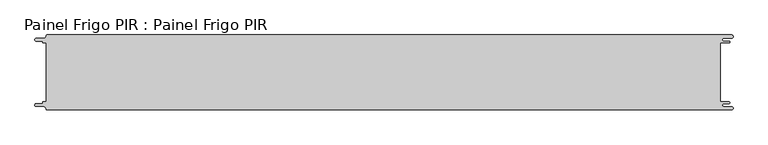
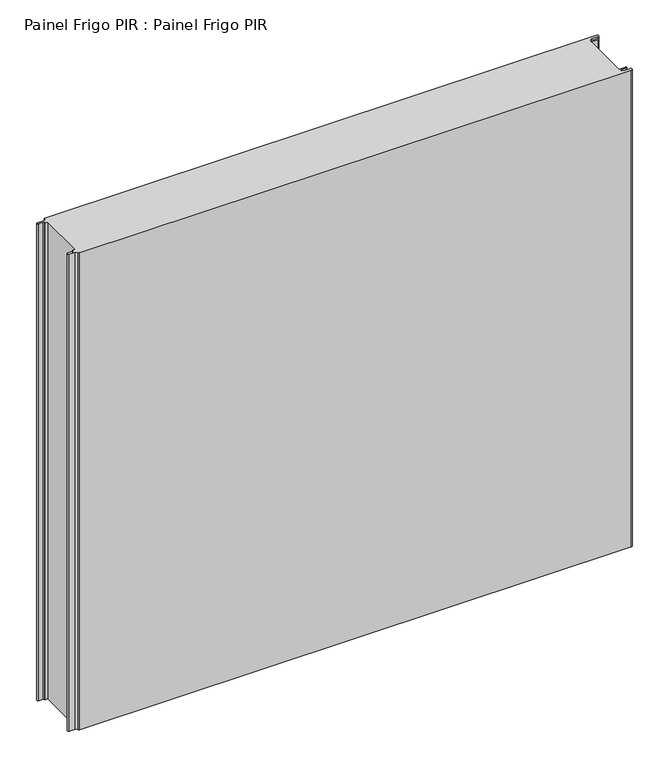
"""IFC4 building model written with IfcOpenShell, lengths in millimetres: proxy geometry, Painel Frigo PIR : Painel Frigo PIR."""

import ifcopenshell
import ifcopenshell.guid

model = None  # the IFC model being written
_history = None  # IfcOwnerHistory: only IFC2X3 demands one
_inside = {}  # id of a spatial element -> (the spatial element, [elements in it])
_under = {}  # id of a project, library or spatial element -> (it, [spatial elements below it])
_declared = {}  # id of a project -> (the project, [libraries it declares])
_typed = {}  # id of a type object -> (the type object, [elements of that type])
_made_of = {}  # id of a material, layer set ... -> (it, [elements and type objects made of it])


def new_model(schema):
    """Start an empty IFC model of exactly this schema.

    Asked for "IFC4X3", IfcOpenShell would pick the latest addendum, in which some entities
    have other attributes; the version numbers below select the first issue.
    IFC2X3 requires an IfcOwnerHistory on every rooted entity: one is made here for all.
    """
    global model, _history
    if schema == "IFC4X3":
        model = ifcopenshell.file(schema_version=(4, 3, 0, 0))
    else:
        model = ifcopenshell.file(schema=schema)
    _inside.clear()
    _under.clear()
    _declared.clear()
    _typed.clear()
    _made_of.clear()
    _history = None
    if model.schema == "IFC2X3":
        org = make("IfcOrganization", Name="unknown")
        user = make(
            "IfcPersonAndOrganization",
            ThePerson=make("IfcPerson", FamilyName="unknown"),
            TheOrganization=org,
        )
        app = make(
            "IfcApplication",
            ApplicationDeveloper=org,
            Version="unknown",
            ApplicationFullName="unknown",
            ApplicationIdentifier="unknown",
        )
        _history = make(
            "IfcOwnerHistory",
            OwningUser=user,
            OwningApplication=app,
            ChangeAction="ADDED",
            CreationDate=0,
        )
    return model


def make(cls, **values):
    """One entity of the class cls with the attributes given. An attribute that is None is left unset."""
    return model.create_entity(
        cls, **{name: value for name, value in values.items() if value is not None}
    )


def rooted(cls, **values):
    """An entity with a GlobalId (a new one), such as an element, a storey or a relation."""
    return make(cls, GlobalId=ifcopenshell.guid.new(), OwnerHistory=_history, **values)


def si_unit(unit_type, name, prefix=None):
    """IfcSIUnit, for example si_unit("LENGTHUNIT", "METRE", prefix="MILLI")."""
    return make("IfcSIUnit", UnitType=unit_type, Prefix=prefix, Name=name)


def assignment(units):
    """IfcUnitAssignment: the units of a project."""
    return None if units is None else make("IfcUnitAssignment", Units=units)


def point(xyz):
    """IfcCartesianPoint."""
    return None if xyz is None else make("IfcCartesianPoint", Coordinates=xyz)


def direction(xyz):
    """IfcDirection."""
    return None if xyz is None else make("IfcDirection", DirectionRatios=xyz)


def frame(location, z_axis=None, x_axis=None):
    """IfcAxis2Placement3D, a coordinate frame: its origin and axes. An axis left out is left unset."""
    return make(
        "IfcAxis2Placement3D",
        Location=point(location),
        Axis=direction(z_axis),
        RefDirection=direction(x_axis),
    )


def origin():
    """The frame at (0, 0, 0) with its axes left unset."""
    return frame((0.0, 0.0, 0.0))


def place(relative_to, where):
    """IfcLocalPlacement: puts the frame where relative to a parent placement (None: the world)."""
    return make(
        "IfcLocalPlacement", PlacementRelTo=relative_to, RelativePlacement=where
    )


def context(
    kind, dimensions, precision=None, world=None, true_north=None, identifier=None
):
    """IfcGeometricRepresentationContext, for example the 3D "Model" context."""
    return make(
        "IfcGeometricRepresentationContext",
        ContextIdentifier=identifier,
        ContextType=kind,
        CoordinateSpaceDimension=dimensions,
        Precision=precision,
        WorldCoordinateSystem=world,
        TrueNorth=true_north,
    )


def project(units=None, contexts=None):
    """IfcProject with its units and contexts."""
    return rooted(
        "IfcProject",
        Name="project",
        RepresentationContexts=contexts,
        UnitsInContext=assignment(units),
    )


def spatial(cls, under=None, at=None, **own):
    """A site, building, storey or space (cls), placed at a placement, below another one or the project."""
    s = rooted(cls, ObjectPlacement=at, **own)
    if under is not None:
        _under.setdefault(under.id(), (under, []))[1].append(s)
    return s


def polyline(points):
    """IfcPolyline through the points."""
    return make("IfcPolyline", Points=[point(p) for p in points])


def circle_curve(where, radius):
    """IfcCircle in the frame where."""
    return make("IfcCircle", Position=where, Radius=radius)


def shape(context_of_items, identifier, shape_type, items):
    """IfcShapeRepresentation: the items that make up one representation, for example the "Body"."""
    return make(
        "IfcShapeRepresentation",
        ContextOfItems=context_of_items,
        RepresentationIdentifier=identifier,
        RepresentationType=shape_type,
        Items=items,
    )


def source(mapping_origin, context_of_items, identifier, shape_type, items):
    """IfcRepresentationMap: a shape defined once, which mapped items show again and again."""
    return make(
        "IfcRepresentationMap",
        MappingOrigin=mapping_origin,
        MappedRepresentation=shape(context_of_items, identifier, shape_type, items),
    )


def transform(
    local_origin,
    x_axis=None,
    y_axis=None,
    z_axis=None,
    scale=None,
    scale2=None,
    scale3=None,
    uniform=True,
):
    """IfcCartesianTransformationOperator3D, or its non-uniform kind. x_axis, y_axis, z_axis: its Axis1, 2, 3."""
    if uniform:
        return make(
            "IfcCartesianTransformationOperator3D",
            Axis1=direction(x_axis),
            Axis2=direction(y_axis),
            LocalOrigin=point(local_origin),
            Scale=scale,
            Axis3=direction(z_axis),
        )
    return make(
        "IfcCartesianTransformationOperator3DnonUniform",
        Axis1=direction(x_axis),
        Axis2=direction(y_axis),
        LocalOrigin=point(local_origin),
        Scale=scale,
        Axis3=direction(z_axis),
        Scale2=scale2,
        Scale3=scale3,
    )


def mapped(mapping_source, mapping_target):
    """IfcMappedItem: shows the shape of a source again, moved by a transform."""
    return make(
        "IfcMappedItem", MappingSource=mapping_source, MappingTarget=mapping_target
    )


def made_of(thing, what):
    """Note that an element or type object is made of a material, layer set ...; save() writes the relation."""
    if what is not None:
        _made_of.setdefault(what.id(), (what, []))[1].append(thing)
    return thing


def element(
    cls,
    number,
    at=None,
    inside=None,
    cuts=None,
    type_object=None,
    material=None,
    context=None,
    identifier="Body",
    shape_type=None,
    held_by="IfcProductDefinitionShape",
    body=None,
    shapes=None,
    **own,
):
    """One element of the class cls, such as IfcWall. Its Tag is "e" and its number.

    at: its placement. inside: the storey or other place that contains it. cuts: it is an
    opening in that element (IfcRelVoidsElement). A single representation is given by context,
    identifier, shape_type and body (its items); several are given by shapes. held_by: the class
    of the entity that holds the representations. save() writes the other relations.
    """
    e = rooted(cls, Tag="e%d" % number, ObjectPlacement=at, **own)
    if body is not None:
        shapes = [shape(context, identifier, shape_type, body)]
    if shapes is not None:
        e.Representation = make(held_by, Representations=shapes)
    if inside is not None:
        _inside.setdefault(inside.id(), (inside, []))[1].append(e)
    if cuts is not None:
        rooted(
            "IfcRelVoidsElement", RelatingBuildingElement=cuts, RelatedOpeningElement=e
        )
    if type_object is not None:
        _typed.setdefault(type_object.id(), (type_object, []))[1].append(e)
    return made_of(e, material)


def aggregate(whole, parts):
    """IfcRelAggregates: a whole, such as a stair, and the parts it consists of."""
    return rooted("IfcRelAggregates", RelatingObject=whole, RelatedObjects=parts)


def save(model, path):
    """Write the relations noted so far, then the file.

    IfcRelAggregates (storeys below a building ...), IfcRelContainedInSpatialStructure (elements
    in a storey), IfcRelDefinesByType, IfcRelAssociatesMaterial and IfcRelDeclares: one each for
    every whole, place, type object, material and project.
    """
    for whole, parts in _under.values():
        aggregate(whole, parts)
    for where, things in _inside.values():
        rooted(
            "IfcRelContainedInSpatialStructure",
            RelatedElements=things,
            RelatingStructure=where,
        )
    for kind, things in _typed.values():
        rooted("IfcRelDefinesByType", RelatedObjects=things, RelatingType=kind)
    for what, things in _made_of.values():
        rooted("IfcRelAssociatesMaterial", RelatedObjects=things, RelatingMaterial=what)
    for by, libraries in _declared.values():
        rooted("IfcRelDeclares", RelatingContext=by, RelatedDefinitions=libraries)
    model.write(path)


def plane_surface(at):
    """IfcPlane: the flat surface through the origin of the frame at, square to its z axis."""
    return make("IfcPlane", Position=at)


def cylinder_surface(at, radius):
    """IfcCylindricalSurface: all points at the distance radius from the z axis of the frame at."""
    return make("IfcCylindricalSurface", Position=at, Radius=radius)


def revolved_surface(curve, axis_point, axis_direction):
    """IfcSurfaceOfRevolution: the curve turned about the line through axis_point along axis_direction."""
    return make(
        "IfcSurfaceOfRevolution",
        SweptCurve=make("IfcArbitraryOpenProfileDef", ProfileType="CURVE", Curve=curve),
        AxisPosition=make("IfcAxis1Placement", Location=point(axis_point), Axis=direction(axis_direction)),
    )


def advanced_brep(points, edges, surfaces, faces):
    """IfcAdvancedBrep: a solid bounded by faces that lie on surfaces and meet in shared edges.

    An edge is (start, end): straight between two places in points (the first is 0);
    or (start, end, curve); or (start, end, curve, False) where it runs against its curve.
    A face is (place in surfaces, loops), or (place, loops, False) where it looks against
    its surface's normal. A loop lists edges by number (the first is 1), with a minus sign
    where the edge is run from its end to its start. The first loop is the outer one.
    """
    corners = [point(p) for p in points]
    vertices = [make("IfcVertexPoint", VertexGeometry=c) for c in corners]
    made = []
    for start, end, *more in edges:
        made.append(
            make(
                "IfcEdgeCurve",
                EdgeStart=vertices[start],
                EdgeEnd=vertices[end],
                EdgeGeometry=more[0] if more else make("IfcPolyline", Points=[corners[start], corners[end]]),
                SameSense=more[1] if len(more) > 1 else True,
            )
        )
    hull = []
    for where, loops, *sense in faces:
        bounds = []
        for j, loop in enumerate(loops):
            ring = [make("IfcOrientedEdge", EdgeElement=made[abs(k) - 1], Orientation=k > 0) for k in loop]
            bounds.append(
                make(
                    "IfcFaceOuterBound" if j == 0 else "IfcFaceBound",
                    Bound=make("IfcEdgeLoop", EdgeList=ring),
                    Orientation=True,
                )
            )
        hull.append(make("IfcAdvancedFace", Bounds=bounds, FaceSurface=surfaces[where], SameSense=sense[0] if sense else True))
    return make("IfcAdvancedBrep", Outer=make("IfcClosedShell", CfsFaces=hull))


def painel_frigo_pir_painel_frigo_pir_d9d61c21(model_context):
    return source(origin(), model_context, "Body", "AdvancedBrep", [
        advanced_brep(
        [(-554.5874998, -47.3, 1000.0), (-555.1874998, -47.9, 1000.0), (-555.1874998, -48.7085184, 1000.0), (-556.5875001, -50.1085187, 1000.0), (-565.565625, -50.1085187, 1000.0), (-565.565625, -54.5085185, 1000.0), (-553.55, -54.5085185, 1000.0), (-550.0, -58.0585185, 1000.0), (-548.05, -60.0, 1000.0), (546.89375, -60.0, 1000.0), (546.89375, -54.725, 1000.0), (534.45625, -54.725, 1000.0), (534.45625, -49.875, 1000.0), (543.1187503, -49.875, 1000.0), (543.1187503, -47.3, 1000.0), (529.2687503, -47.3, 1000.0), (529.2687503, 47.3, 1000.0), (543.1187503, 47.3, 1000.0), (543.1187503, 49.875, 1000.0), (534.45625, 49.875, 1000.0), (534.45625, 54.725, 1000.0), (546.89375, 54.725, 1000.0), (546.89375, 60.0, 1000.0), (-548.05, 60.0, 1000.0), (-550.0, 58.05, 1000.0), (-553.55, 54.5085185, 1000.0), (-565.565625, 54.5085185, 1000.0), (-565.565625, 50.1085185, 1000.0), (-556.5875003, 50.1085185, 1000.0), (-555.1875003, 48.7085185, 1000.0), (-555.1875003, 47.9, 1000.0), (-554.5874998, 47.2999995, 1000.0), (-549.2999612, 47.2999995, 1000.0), (-549.2999612, -47.3, 1000.0), (-554.5874998, -47.3, 0.0), (-549.2999612, -47.3, 0.0), (-549.2999612, 47.2999995, 0.0), (-554.5874998, 47.2999995, 0.0), (-555.1875003, 47.9, 0.0), (-555.1875003, 48.7085185, 0.0), (-556.5875003, 50.1085185, 0.0), (-565.565625, 50.1085185, 0.0), (-565.565625, 54.5085185, 0.0), (-553.55, 54.5085185, 0.0), (-550.0, 58.0585185, 0.0), (-548.05, 60.0, 0.0), (546.89375, 60.0, 0.0), (546.89375, 54.725, 0.0), (534.45625, 54.725, 0.0), (534.45625, 49.875, 0.0), (543.1187503, 49.875, 0.0), (543.1187503, 47.3, 0.0), (529.2687503, 47.3, 0.0), (529.2687503, -47.3, 0.0), (543.1187503, -47.3, 0.0), (543.1187503, -49.875, 0.0), (534.45625, -49.875, 0.0), (534.45625, -54.725, 0.0), (546.89375, -54.725, 0.0), (546.89375, -60.0, 0.0), (-548.05, -60.0, 0.0), (-550.0, -58.05, 0.0), (-553.55, -54.5085185, 0.0), (-565.565625, -54.5085185, 0.0), (-565.565625, -50.1085187, 0.0), (-556.5875001, -50.1085187, 0.0), (-555.1874998, -48.7085184, 0.0), (-555.1874998, -47.9, 0.0)],
        [
            (0, 1, circle_curve(frame((-554.5874998, -47.9, 1000.0), z_axis=(0.0, 0.0, 1.0), x_axis=(1.0, 0.0, 0.0)), 0.6)),
            (1, 2),
            (2, 3, circle_curve(frame((-556.5875001, -48.7085184, 1000.0), z_axis=(0.0, 0.0, -1.0), x_axis=(1.0, 0.0, 0.0)), 1.4000003)),
            (3, 4),
            (4, 5, circle_curve(frame((-565.565625, -52.3085186, 1000.0), z_axis=(0.0, 0.0, 1.0), x_axis=(1.0, 0.0, 0.0)), 2.1999999)),
            (5, 6),
            (6, 7, circle_curve(frame((-553.55, -58.0585185, 1000.0), z_axis=(0.0, 0.0, -1.0), x_axis=(1.0, 0.0, 0.0)), 3.55)),
            (7, 8, circle_curve(frame((-548.05, -58.05, 1000.0), z_axis=(0.0, 0.0, 1.0), x_axis=(1.0, 0.0, 0.0)), 1.95)),
            (8, 9),
            (9, 10, circle_curve(frame((546.89375, -57.3625, 1000.0), z_axis=(0.0, 0.0, 1.0), x_axis=(1.0, 0.0, 0.0)), 2.6375)),
            (10, 11),
            (11, 12, circle_curve(frame((534.45625, -52.3, 1000.0), z_axis=(0.0, 0.0, -1.0), x_axis=(1.0, 0.0, 0.0)), 2.425)),
            (12, 13),
            (13, 14, circle_curve(frame((543.1187503, -48.5875, 1000.0), z_axis=(0.0, 0.0, 1.0), x_axis=(1.0, 0.0, 0.0)), 1.2875)),
            (14, 15),
            (15, 16),
            (16, 17),
            (17, 18, circle_curve(frame((543.1187503, 48.5875, 1000.0), z_axis=(0.0, 0.0, 1.0), x_axis=(1.0, 0.0, 0.0)), 1.2875)),
            (18, 19),
            (19, 20, circle_curve(frame((534.45625, 52.3, 1000.0), z_axis=(0.0, 0.0, -1.0), x_axis=(1.0, 0.0, 0.0)), 2.425)),
            (20, 21),
            (21, 22, circle_curve(frame((546.89375, 57.3625, 1000.0), z_axis=(0.0, 0.0, 1.0), x_axis=(1.0, 0.0, 0.0)), 2.6375)),
            (22, 23),
            (23, 24, circle_curve(frame((-548.05, 58.05, 1000.0), z_axis=(0.0, 0.0, 1.0), x_axis=(1.0, 0.0, 0.0)), 1.95)),
            (24, 25, circle_curve(frame((-553.55, 58.0585185, 1000.0), z_axis=(0.0, 0.0, -1.0), x_axis=(1.0, 0.0, 0.0)), 3.55)),
            (25, 26),
            (26, 27, circle_curve(frame((-565.565625, 52.3085185, 1000.0), z_axis=(0.0, 0.0, 1.0), x_axis=(1.0, 0.0, 0.0)), 2.2)),
            (27, 28),
            (28, 29, circle_curve(frame((-556.5875003, 48.7085185, 1000.0), z_axis=(0.0, 0.0, -1.0), x_axis=(1.0, 0.0, 0.0)), 1.4)),
            (29, 30),
            (30, 31, circle_curve(frame((-554.5874998, 47.9, 1000.0), z_axis=(0.0, 0.0, 1.0), x_axis=(1.0, 0.0, 0.0)), 0.6000005)),
            (31, 32),
            (32, 33),
            (33, 0),
            (34, 35),
            (35, 36),
            (36, 37),
            (37, 38, circle_curve(frame((-554.5874998, 47.9, 0.0), z_axis=(0.0, 0.0, -1.0), x_axis=(1.0, 0.0, 0.0)), 0.6000005)),
            (38, 39),
            (39, 40, circle_curve(frame((-556.5875003, 48.7085185, 0.0), z_axis=(0.0, 0.0, 1.0), x_axis=(1.0, 0.0, 0.0)), 1.4)),
            (40, 41),
            (41, 42, circle_curve(frame((-565.565625, 52.3085185, 0.0), z_axis=(0.0, 0.0, -1.0), x_axis=(1.0, 0.0, 0.0)), 2.2)),
            (42, 43),
            (43, 44, circle_curve(frame((-553.55, 58.0585185, 0.0), z_axis=(0.0, 0.0, 1.0), x_axis=(1.0, 0.0, 0.0)), 3.55)),
            (44, 45, circle_curve(frame((-548.05, 58.05, 0.0), z_axis=(0.0, 0.0, -1.0), x_axis=(1.0, 0.0, 0.0)), 1.95)),
            (45, 46),
            (46, 47, circle_curve(frame((546.89375, 57.3625, 0.0), z_axis=(0.0, 0.0, -1.0), x_axis=(1.0, 0.0, 0.0)), 2.6375)),
            (47, 48),
            (48, 49, circle_curve(frame((534.45625, 52.3, 0.0), z_axis=(0.0, 0.0, 1.0), x_axis=(1.0, 0.0, 0.0)), 2.425)),
            (49, 50),
            (50, 51, circle_curve(frame((543.1187503, 48.5875, 0.0), z_axis=(0.0, 0.0, -1.0), x_axis=(1.0, 0.0, 0.0)), 1.2875)),
            (51, 52),
            (52, 53),
            (53, 54),
            (54, 55, circle_curve(frame((543.1187503, -48.5875, 0.0), z_axis=(0.0, 0.0, -1.0), x_axis=(1.0, 0.0, 0.0)), 1.2875)),
            (55, 56),
            (56, 57, circle_curve(frame((534.45625, -52.3, 0.0), z_axis=(0.0, 0.0, 1.0), x_axis=(1.0, 0.0, 0.0)), 2.425)),
            (57, 58),
            (58, 59, circle_curve(frame((546.89375, -57.3625, 0.0), z_axis=(0.0, 0.0, -1.0), x_axis=(1.0, 0.0, 0.0)), 2.6375)),
            (59, 60),
            (60, 61, circle_curve(frame((-548.05, -58.05, 0.0), z_axis=(0.0, 0.0, -1.0), x_axis=(1.0, 0.0, 0.0)), 1.95)),
            (61, 62, circle_curve(frame((-553.55, -58.0585185, 0.0), z_axis=(0.0, 0.0, 1.0), x_axis=(1.0, 0.0, 0.0)), 3.55)),
            (62, 63),
            (63, 64, circle_curve(frame((-565.565625, -52.3085186, 0.0), z_axis=(0.0, 0.0, -1.0), x_axis=(1.0, 0.0, 0.0)), 2.1999999)),
            (64, 65),
            (65, 66, circle_curve(frame((-556.5875001, -48.7085184, 0.0), z_axis=(0.0, 0.0, 1.0), x_axis=(1.0, 0.0, 0.0)), 1.4000003)),
            (66, 67),
            (67, 34, circle_curve(frame((-554.5874998, -47.9, 0.0), z_axis=(0.0, 0.0, -1.0), x_axis=(1.0, 0.0, 0.0)), 0.6)),
            (33, 35),
            (34, 0),
            (32, 36),
            (31, 37),
            (30, 38),
            (29, 39),
            (28, 40),
            (27, 41),
            (26, 42),
            (25, 43),
            (24, 44),
            (23, 45),
            (22, 46),
            (15, 53),
            (52, 16),
            (14, 54),
            (13, 55),
            (12, 56),
            (11, 57),
            (10, 58),
            (9, 59),
            (8, 60),
            (7, 61),
            (6, 62),
            (5, 63),
            (4, 64),
            (3, 65),
            (2, 66),
            (1, 67),
            (21, 47),
            (20, 48),
            (19, 49),
            (18, 50),
            (17, 51),
        ],
        [
            plane_surface(frame((-549.2999612, -47.3, 1000.0), z_axis=(0.0, 0.0, 1.0), x_axis=(1.0, 0.0, 0.0))),
            plane_surface(frame((-549.2999612, -47.3, 0.0), z_axis=(0.0, 0.0, -1.0), x_axis=(-1.0, 0.0, 0.0))),
            plane_surface(frame((-554.5874998, -47.3, 1000.0), z_axis=(0.0, 1.0, 0.0), x_axis=(0.0, 0.0, -1.0))),
            plane_surface(frame((-549.2999612, -47.3, 1000.0), z_axis=(-1.0, 0.0, 0.0), x_axis=(0.0, 0.0, -1.0))),
            plane_surface(frame((-549.2999612, 47.2999995, 1000.0), z_axis=(0.0, -1.0, 0.0), x_axis=(0.0, 0.0, -1.0))),
            cylinder_surface(frame((-554.5874998, 47.9, 0.0), z_axis=(0.0, 0.0, 1.0), x_axis=(1.0, 0.0, 0.0)), 0.6000005),
            plane_surface(frame((-555.1875003, 47.9, 1000.0), z_axis=(-1.0, -1.757860866232952e-12, 0.0), x_axis=(0.0, 0.0, -1.0))),
            revolved_surface(polyline([(-555.1875003, 48.7085185, 0.0), (-555.1875003, 48.7085185, 1000.0)]), (-556.5875003, 48.7085185, 0.0), (0.0, 0.0, -1.0)),
            plane_surface(frame((-556.5875003, 50.1085185, 1000.0), z_axis=(0.0, -1.0, 0.0), x_axis=(0.0, 0.0, -1.0))),
            cylinder_surface(frame((-565.565625, 52.3085185, 0.0), z_axis=(0.0, 0.0, 1.0), x_axis=(1.0, 0.0, 0.0)), 2.2),
            plane_surface(frame((-565.565625, 54.5085185, 1000.0), z_axis=(0.0, 1.0, 0.0), x_axis=(0.0, 0.0, -1.0))),
            revolved_surface(polyline([(-550.0, 58.0585185, 0.0), (-550.0, 58.0585185, 1000.0)]), (-553.55, 58.0585185, 0.0), (0.0, 0.0, -1.0)),
            cylinder_surface(frame((-548.05, 58.05, 0.0), z_axis=(0.0, 0.0, 1.0), x_axis=(1.0, 0.0, 0.0)), 1.95),
            plane_surface(frame((-548.05, 60.0, 1000.0), z_axis=(0.0, 1.0, 0.0), x_axis=(0.0, 0.0, -1.0))),
            plane_surface(frame((529.2687503, 47.3, 1000.0), z_axis=(1.0, 0.0, 0.0), x_axis=(0.0, 0.0, -1.0))),
            plane_surface(frame((529.2687503, -47.3, 1000.0), z_axis=(0.0, 1.0, 0.0), x_axis=(0.0, 0.0, -1.0))),
            cylinder_surface(frame((543.1187503, -48.5875, 0.0), z_axis=(0.0, 0.0, 1.0), x_axis=(1.0, 0.0, 0.0)), 1.2875),
            plane_surface(frame((543.1187503, -49.875, 1000.0), z_axis=(0.0, -1.0, 0.0), x_axis=(0.0, 0.0, -1.0))),
            revolved_surface(polyline([(536.8812499999999, -52.3, 0.0), (536.8812499999999, -52.3, 1000.0)]), (534.45625, -52.3, 0.0), (0.0, 0.0, -1.0)),
            plane_surface(frame((534.45625, -54.725, 1000.0), z_axis=(0.0, 1.0, 0.0), x_axis=(0.0, 0.0, -1.0))),
            cylinder_surface(frame((546.89375, -57.3625, 0.0), z_axis=(0.0, 0.0, 1.0), x_axis=(1.0, 0.0, 0.0)), 2.6375),
            plane_surface(frame((546.89375, -60.0, 1000.0), z_axis=(0.0, -1.0, 0.0), x_axis=(0.0, 0.0, -1.0))),
            cylinder_surface(frame((-548.05, -58.05, 0.0), z_axis=(0.0, 0.0, 1.0), x_axis=(1.0, 0.0, 0.0)), 1.95),
            revolved_surface(polyline([(-550.0, -58.0585185, 0.0), (-550.0, -58.0585185, 1000.0)]), (-553.55, -58.0585185, 0.0), (0.0, 0.0, -1.0)),
            plane_surface(frame((-553.55, -54.5085185, 1000.0), z_axis=(0.0, -1.0, 0.0), x_axis=(0.0, 0.0, -1.0))),
            cylinder_surface(frame((-565.565625, -52.3085186, 0.0), z_axis=(0.0, 0.0, 1.0), x_axis=(1.0, 0.0, 0.0)), 2.1999999),
            plane_surface(frame((-565.565625, -50.1085187, 1000.0), z_axis=(0.0, 1.0, 0.0), x_axis=(0.0, 0.0, -1.0))),
            revolved_surface(polyline([(-555.1874998000001, -48.7085184, 0.0), (-555.1874998000001, -48.7085184, 1000.0)]), (-556.5875001, -48.7085184, 0.0), (0.0, 0.0, -1.0)),
            plane_surface(frame((-555.1874998, -48.7085184, 1000.0), z_axis=(-1.0, 0.0, 0.0), x_axis=(0.0, 0.0, -1.0))),
            cylinder_surface(frame((-554.5874998, -47.9, 0.0), z_axis=(0.0, 0.0, 1.0), x_axis=(1.0, 0.0, 0.0)), 0.6),
            cylinder_surface(frame((546.89375, 57.3625, 0.0), z_axis=(0.0, 0.0, 1.0), x_axis=(1.0, 0.0, 0.0)), 2.6375),
            plane_surface(frame((546.89375, 54.725, 1000.0), z_axis=(0.0, -1.0, 0.0), x_axis=(0.0, 0.0, -1.0))),
            revolved_surface(polyline([(536.8812499999999, 52.3, 0.0), (536.8812499999999, 52.3, 1000.0)]), (534.45625, 52.3, 0.0), (0.0, 0.0, -1.0)),
            plane_surface(frame((534.45625, 49.875, 1000.0), z_axis=(0.0, 1.0, 0.0), x_axis=(0.0, 0.0, -1.0))),
            cylinder_surface(frame((543.1187503, 48.5875, 0.0), z_axis=(0.0, 0.0, 1.0), x_axis=(1.0, 0.0, 0.0)), 1.2875),
            plane_surface(frame((543.1187503, 47.3, 1000.0), z_axis=(0.0, -1.0, 0.0), x_axis=(0.0, 0.0, -1.0))),
        ],
        [
            (0, [[1, 2, 3, 4, 5, 6, 7, 8, 9, 10, 11, 12, 13, 14, 15, 16, 17, 18, 19, 20, 21, 22, 23, 24, 25, 26, 27, 28, 29, 30, 31, 32, 33, 34]]),
            (1, [[35, 36, 37, 38, 39, 40, 41, 42, 43, 44, 45, 46, 47, 48, 49, 50, 51, 52, 53, 54, 55, 56, 57, 58, 59, 60, 61, 62, 63, 64, 65, 66, 67, 68]]),
            (2, [[69, -35, 70, -34]]),
            (3, [[71, -36, -69, -33]]),
            (4, [[72, -37, -71, -32]]),
            (5, [[73, -38, -72, -31]]),
            (6, [[74, -39, -73, -30]]),
            (7, [[75, -40, -74, -29]]),
            (8, [[76, -41, -75, -28]]),
            (9, [[77, -42, -76, -27]]),
            (10, [[78, -43, -77, -26]]),
            (11, [[79, -44, -78, -25]]),
            (12, [[80, -45, -79, -24]]),
            (13, [[81, -46, -80, -23]]),
            (14, [[82, -53, 83, -16]]),
            (15, [[84, -54, -82, -15]]),
            (16, [[85, -55, -84, -14]]),
            (17, [[86, -56, -85, -13]]),
            (18, [[87, -57, -86, -12]]),
            (19, [[88, -58, -87, -11]]),
            (20, [[89, -59, -88, -10]]),
            (21, [[90, -60, -89, -9]]),
            (22, [[91, -61, -90, -8]]),
            (23, [[92, -62, -91, -7]]),
            (24, [[93, -63, -92, -6]]),
            (25, [[94, -64, -93, -5]]),
            (26, [[95, -65, -94, -4]]),
            (27, [[96, -66, -95, -3]]),
            (28, [[97, -67, -96, -2]]),
            (29, [[-70, -68, -97, -1]]),
            (30, [[98, -47, -81, -22]]),
            (31, [[99, -48, -98, -21]]),
            (32, [[100, -49, -99, -20]]),
            (33, [[101, -50, -100, -19]]),
            (34, [[102, -51, -101, -18]]),
            (35, [[-83, -52, -102, -17]]),
        ],
    ),
    ])


if __name__ == "__main__":
    model = new_model("IFC4")
    model_context = context("Model", 3, world=origin())
    ifc_project = project(units=[si_unit("LENGTHUNIT", "METRE", prefix="MILLI")], contexts=[model_context])
    site = spatial("IfcSite", under=ifc_project)
    building = spatial("IfcBuilding", under=site)
    placement = place(None, origin())
    painel_frigo_pir_painel_frigo_pir_shape = painel_frigo_pir_painel_frigo_pir_d9d61c21(model_context)
    element("IfcBuildingElementProxy", 1, Name="Painel Frigo PIR : Painel Frigo PIR", ObjectType="Painel Frigo PIR : Painel Frigo PIR", at=placement, inside=building, context=model_context, shape_type="MappedRepresentation", body=[
        mapped(painel_frigo_pir_painel_frigo_pir_shape, transform((0.0, 0.0, 0.0), x_axis=(1.0, 0.0, 0.0), y_axis=(0.0, 1.0, 0.0), z_axis=(0.0, 0.0, 1.0))),
    ])
    save(model, "model.ifc")
